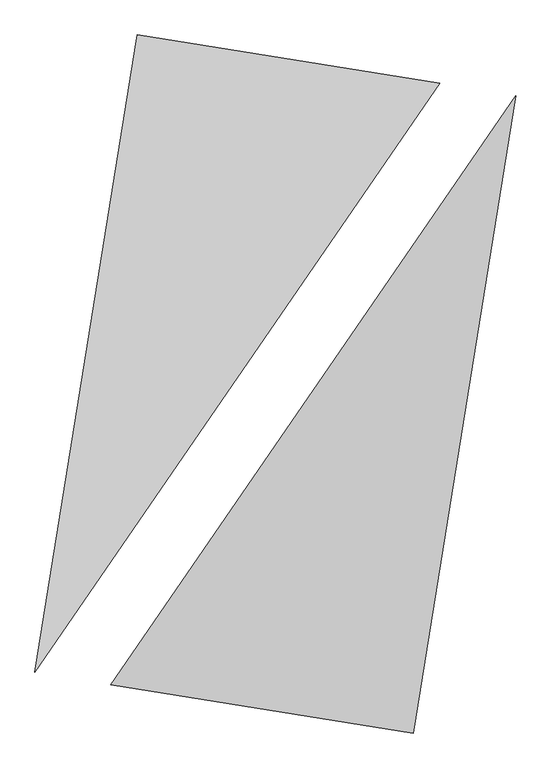
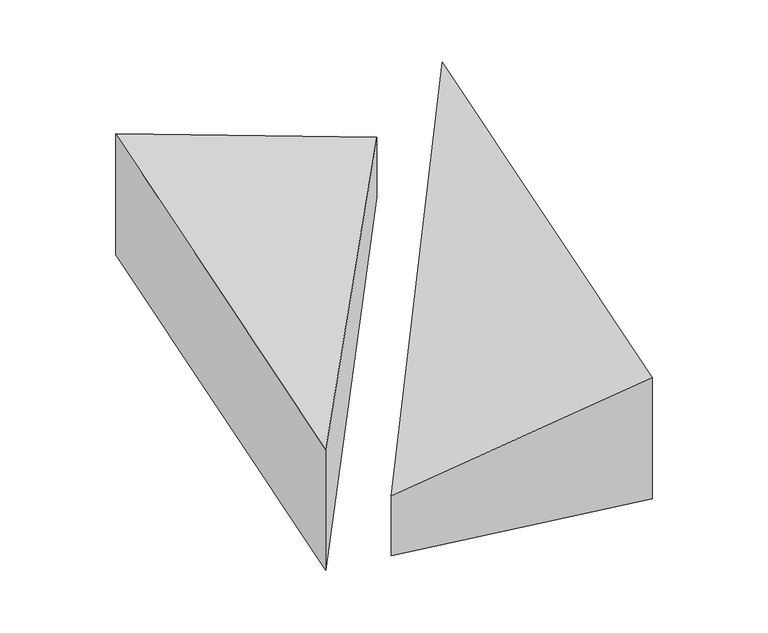
"""IFC4 building model written with IfcOpenShell, lengths in millimetres: proxy geometry."""

from ifc_helpers import new_model, si_unit, origin, place, context, project, spatial, faceted_brep, source, transform, mapped, element, save


def generic_models_bfe7cfee(model_context):
    return source(origin(), model_context, "Body", "Brep", [
        faceted_brep([(1020.0385469, 1862.0358785, 0.0), (-856.0170022, 2162.7277087, 0.0), (-856.0170022, 2162.7277087, 1000.0), (1020.0385469, 1862.0358785, 500.0), (-1489.0524341, -1786.862921, 0.0), (-1489.0524341, -1786.862921, 1000.0)], [[[0, 1, 2, 3]], [[1, 4, 5, 2]], [[4, 0, 3, 5]], [[3, 2, 5]], [[0, 4, 1]]]),
        faceted_brep([(856.0170022, -2162.7277087, 0.0), (1489.0524341, 1786.862921, 0.0), (1489.0524341, 1786.862921, 1000.0), (856.0170022, -2162.7277087, 1000.0), (-1020.0385469, -1862.0358785, 0.0), (-1020.0385469, -1862.0358785, 500.0)], [[[0, 1, 2, 3]], [[1, 4, 5, 2]], [[4, 0, 3, 5]], [[2, 5, 3]], [[0, 4, 1]]]),
    ])


if __name__ == "__main__":
    model = new_model("IFC4")
    model_context = context("Model", 3, world=origin())
    ifc_project = project(units=[si_unit("LENGTHUNIT", "METRE", prefix="MILLI")], contexts=[model_context])
    site = spatial("IfcSite", under=ifc_project)
    building = spatial("IfcBuilding", under=site)
    placement = place(None, origin())
    generic_models_shape = generic_models_bfe7cfee(model_context)
    element("IfcBuildingElementProxy", 1, Name="Generic Models", at=placement, inside=building, context=model_context, shape_type="MappedRepresentation", body=[
        mapped(generic_models_shape, transform((0.0, 0.0, 0.0), x_axis=(1.0, 0.0, 0.0), y_axis=(0.0, 1.0, 0.0), z_axis=(0.0, 0.0, 1.0))),
    ])
    save(model, "model.ifc")
